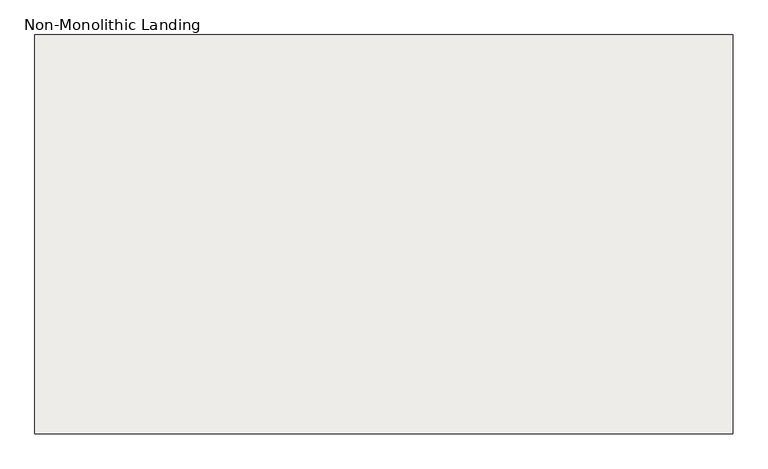
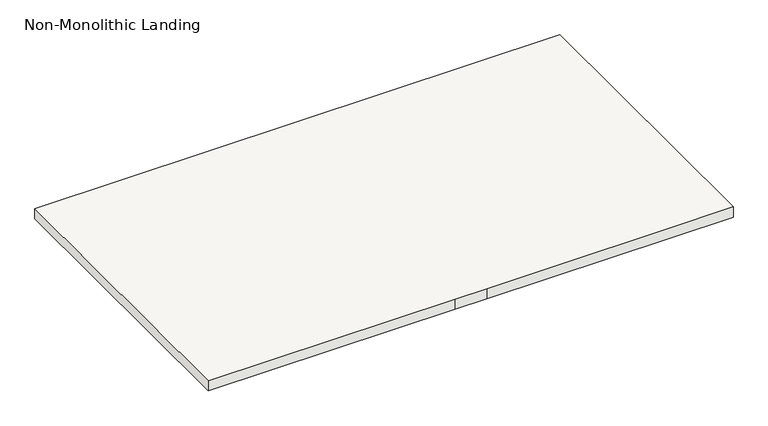
"""IFC4 building model written with IfcOpenShell, lengths in millimetres: slab geometry, Non-Monolithic Landing."""

from ifc_helpers import new_model, si_unit, frame, origin, place, context, project, spatial, polyline, outline, extrude, source, transform, mapped, element, save


def non_monolithic_landing_dff4a806(model_context):
    return source(origin(), model_context, "Body", "SweptSolid", [
        extrude(outline(polyline([(383.6347234, -9372.365151), (383.6347234, -7972.365151), (2834.355623, -7972.365151), (2834.355623, -9372.365151), (1684.355623, -9372.365151), (1534.355623, -9372.365151), (383.6347234, -9372.365151)])), frame((0.0, 0.0, 1450.0), z_axis=(0.0, 0.0, 1.0), x_axis=(1.0, 0.0, 0.0)), (0.0, 0.0, 1.0), 50.0),
    ])


if __name__ == "__main__":
    model = new_model("IFC4")
    model_context = context("Model", 3, world=origin())
    ifc_project = project(units=[si_unit("LENGTHUNIT", "METRE", prefix="MILLI")], contexts=[model_context])
    site = spatial("IfcSite", under=ifc_project)
    building = spatial("IfcBuilding", under=site)
    placement = place(None, origin())
    non_monolithic_landing_shape = non_monolithic_landing_dff4a806(model_context)
    element("IfcSlab", 1, ObjectType="Non-Monolithic Landing", at=placement, inside=building, context=model_context, shape_type="MappedRepresentation", body=[
        mapped(non_monolithic_landing_shape, transform((0.0, 0.0, 0.0), x_axis=(1.0, 0.0, 0.0), y_axis=(0.0, 1.0, 0.0), z_axis=(0.0, 0.0, 1.0))),
    ])
    save(model, "model.ifc")
